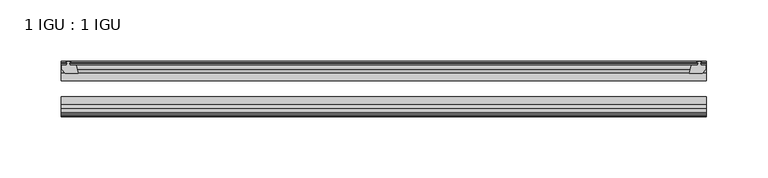
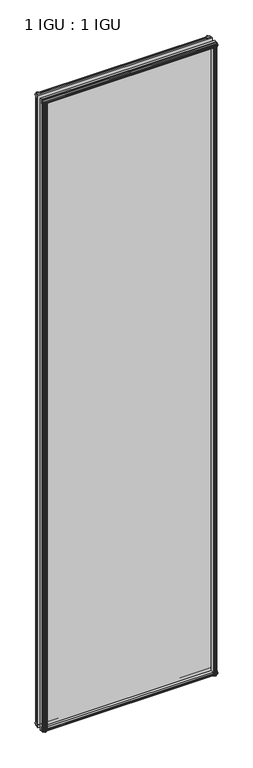
"""IFC4 building model written with IfcOpenShell, lengths in millimetres: plate geometry, 1 IGU : 1 IGU."""

from ifc_helpers import new_model, si_unit, frame, origin, place, context, project, spatial, polyline, outline, extrude, source, transform, mapped, element, save


def plate_1_igu_1_igu_df9695e2(model_context):
    return source(origin(), model_context, "Body", "SweptSolid", [
        extrude(outline(polyline([(255.5181709, -10.4746158), (257.6957, -9.7670938), (259.8732291, -10.4746158), (259.8732291, -11.27583), (258.4577, -10.8158968), (258.8387, -13.1960938), (263.2837, -13.1960938), (263.2837, -16.1424938), (260.4493578, -19.5460938), (249.6279819, -19.5460938), (251.3457, -13.1960938), (256.5527, -13.1960938), (256.9337, -10.8158968), (255.5181709, -11.27583), (255.5181709, -10.4746158)])), frame((0.0, 0.0, -12.4587), z_axis=(0.0, 0.0, 1.0), x_axis=(1.0, 0.0, 0.0)), (0.0, 0.0, 1.0), 2018.8174),
        extrude(outline(polyline([(-257.6957, -9.7670937), (-255.5181709, -10.4746158), (-255.5181709, -11.27583), (-256.9337, -10.8158968), (-256.5527, -13.1960937), (-251.3457, -13.1960937), (-249.6279819, -19.5460937), (-260.4493578, -19.5460937), (-263.2837, -16.1424937), (-263.2837, -13.1960937), (-258.8387, -13.1960937), (-258.4577, -10.8158968), (-259.8732291, -11.27583), (-259.8732291, -10.4746158), (-257.6957, -9.7670937)])), frame((0.0, 0.0, -12.4587), z_axis=(0.0, 0.0, 1.0), x_axis=(1.0, 0.0, 0.0)), (0.0, 0.0, 1.0), 2018.8174),
        extrude(outline(polyline([(249.1105839, -44.9460938), (259.9319598, -44.9460938), (262.766302, -48.3496938), (262.766302, -51.2960938), (258.321302, -51.2960938), (257.940302, -53.6762907), (259.355831, -53.2163575), (259.355831, -54.0175717), (257.178302, -54.7250938), (255.0007729, -54.0175717), (255.0007729, -53.2163575), (256.416302, -53.6762907), (256.035302, -51.2960938), (250.828302, -51.2960938), (249.1105839, -44.9460938)])), frame((0.0, 0.0, -12.4587), z_axis=(0.0, 0.0, 1.0), x_axis=(1.0, 0.0, 0.0)), (0.0, 0.0, 1.0), 2006.1174),
        extrude(outline(polyline([(-249.1072819, -44.9460937), (-250.825, -51.2960937), (-256.032, -51.2960937), (-256.413, -53.6762907), (-254.9974709, -53.2163575), (-254.9974709, -54.0175717), (-257.175, -54.7250937), (-259.3525291, -54.0175717), (-259.3525291, -53.2163575), (-257.937, -53.6762907), (-258.318, -51.2960937), (-262.763, -51.2960937), (-262.763, -48.3496937), (-259.9286578, -44.9460937), (-249.1072819, -44.9460937)])), frame((0.0, 0.0, -12.4587), z_axis=(0.0, 0.0, 1.0), x_axis=(1.0, 0.0, 0.0)), (0.0, 0.0, 1.0), 2006.1174),
        extrude(outline(polyline([(-10.4746158, -4.6931709), (-9.7670937, -6.8707), (-10.4746158, -9.0482291), (-11.27583, -9.0482291), (-10.8158968, -7.6327), (-13.1960937, -8.0137), (-13.1960937, -12.4587), (-16.1424937, -12.4587), (-19.5460937, -9.6243578), (-19.5460937, 1.1970181), (-13.1960937, -0.5207), (-13.1960937, -5.7277), (-10.8158968, -6.1087), (-11.27583, -4.6931709), (-10.4746158, -4.6931709)])), frame((-263.525, 0.0, 0.0), z_axis=(1.0, 0.0, 0.0), x_axis=(0.0, 1.0, 0.0)), (0.0, 0.0, 1.0), 527.05),
        extrude(outline(polyline([(-44.9460937, 1.7177181), (-44.9460937, -9.1036578), (-48.3496937, -11.938), (-51.2960937, -11.938), (-51.2960937, -7.493), (-53.6762907, -7.112), (-53.2163575, -8.5275291), (-54.0175717, -8.5275291), (-54.7250937, -6.35), (-54.0175717, -4.1724709), (-53.2163575, -4.1724709), (-53.6762907, -5.588), (-51.2960937, -5.207), (-51.2960937, 0.0), (-44.9460937, 1.7177181)])), frame((-263.525, 0.0, 0.0), z_axis=(1.0, 0.0, 0.0), x_axis=(0.0, 1.0, 0.0)), (0.0, 0.0, 1.0), 527.05),
        extrude(outline(polyline([(-10.8158968, 2001.5327), (-11.27583, 2002.9482291), (-10.4746158, 2002.9482291), (-9.7670937, 2000.7707), (-10.4746158, 1998.5931709), (-11.27583, 1998.5931709), (-10.8158968, 2000.0087), (-13.1960937, 1999.6277), (-13.1960937, 1994.4207), (-19.5460938, 1992.7029819), (-19.5460938, 2003.5243578), (-16.1424937, 2006.3587), (-13.1960937, 2006.3587), (-13.1960937, 2001.9137), (-10.8158968, 2001.5327)])), frame((-263.525, 0.0, 0.0), z_axis=(1.0, 0.0, 0.0), x_axis=(0.0, 1.0, 0.0)), (0.0, 0.0, 1.0), 527.05),
        extrude(outline(polyline([(-51.2960937, 2005.838), (-48.3496937, 2005.838), (-44.9460938, 2003.0036578), (-44.9460938, 1992.1822819), (-51.2960937, 1993.9), (-51.2960937, 1999.107), (-53.6762907, 1999.488), (-53.2163575, 1998.0724709), (-54.0175717, 1998.0724709), (-54.7250937, 2000.25), (-54.0175717, 2002.4275291), (-53.2163575, 2002.4275291), (-53.6762907, 2001.012), (-51.2960937, 2001.393), (-51.2960937, 2005.838)])), frame((-263.525, 0.0, 0.0), z_axis=(1.0, 0.0, 0.0), x_axis=(0.0, 1.0, 0.0)), (0.0, 0.0, 1.0), 527.05),
        extrude(outline(polyline([(-263.525, -38.9186738), (263.525, -38.9186738), (263.525, -44.9460937), (-263.525, -44.9460937), (-263.525, -38.9186738)])), frame((0.0, 0.0, -12.7), z_axis=(0.0, 0.0, 1.0), x_axis=(1.0, 0.0, 0.0)), (0.0, 0.0, 1.0), 2019.3),
        extrude(outline(polyline([(-263.525, -19.5460937), (263.525, -19.5460937), (263.525, -25.8960938), (-263.525, -25.8960938), (-263.525, -19.5460937)])), frame((0.0, 0.0, -12.7), z_axis=(0.0, 0.0, 1.0), x_axis=(1.0, 0.0, 0.0)), (0.0, 0.0, 1.0), 2019.3),
    ])


if __name__ == "__main__":
    model = new_model("IFC4")
    model_context = context("Model", 3, world=origin())
    ifc_project = project(units=[si_unit("LENGTHUNIT", "METRE", prefix="MILLI")], contexts=[model_context])
    site = spatial("IfcSite", under=ifc_project)
    building = spatial("IfcBuilding", under=site)
    placement = place(None, origin())
    plate_1_igu_1_igu_shape = plate_1_igu_1_igu_df9695e2(model_context)
    element("IfcPlate", 1, ObjectType="1 IGU : 1 IGU", at=placement, inside=building, context=model_context, shape_type="MappedRepresentation", body=[
        mapped(plate_1_igu_1_igu_shape, transform((0.0, 0.0, 0.0), x_axis=(1.0, 0.0, 0.0), y_axis=(0.0, 1.0, 0.0), z_axis=(0.0, 0.0, 1.0))),
    ])
    save(model, "model.ifc")
